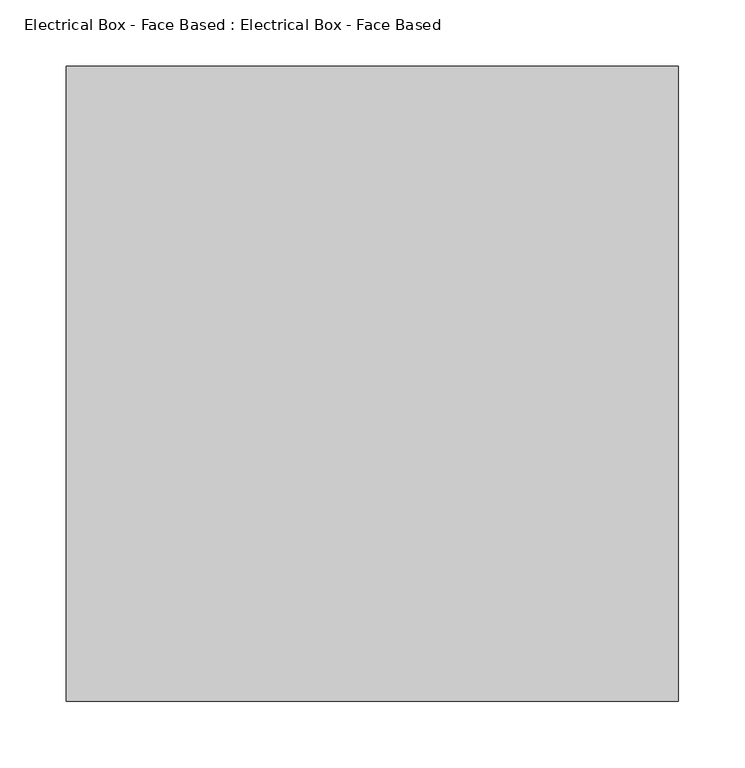
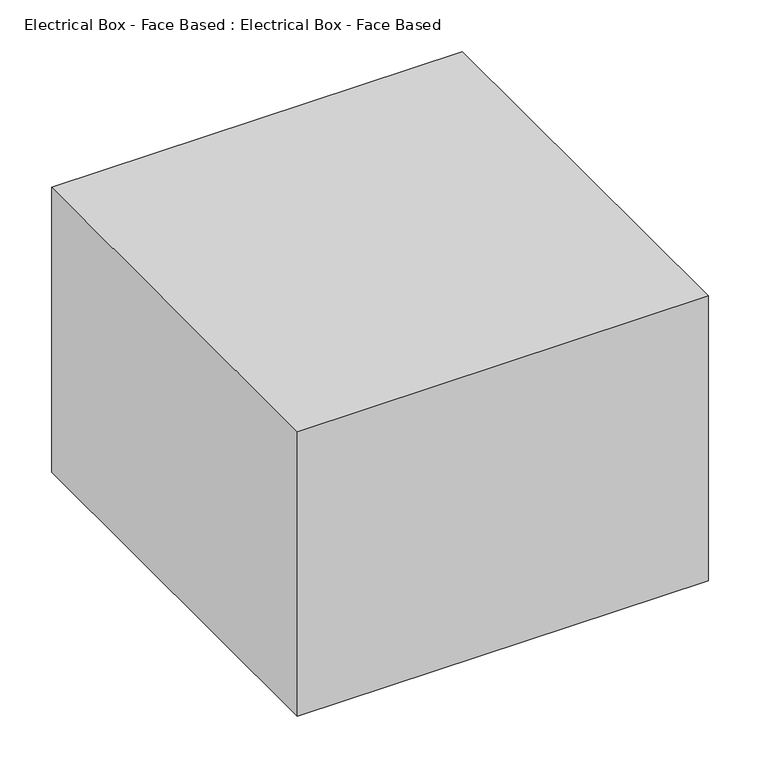
"""IFC4 building model written with IfcOpenShell, lengths in millimetres: proxy geometry, Electrical Box - Face Based : Electrical Box - Face Based."""

from ifc_helpers import new_model, si_unit, origin, origin_with_axes, place, context, project, spatial, polyline, outline, extrude, source, transform, mapped, element, save


def electrical_box_face_based_electrical_box_face_based_921e0528(model_context):
    return source(origin(), model_context, "Body", "SweptSolid", [
        extrude(outline(polyline([(230.1223586, 238.7516477), (230.1223586, -238.7516477), (-230.1223586, -238.7516477), (-230.1223586, 238.7516477), (230.1223586, 238.7516477)])), origin_with_axes(), (0.0, 0.0, 1.0), 337.3926242),
    ])


if __name__ == "__main__":
    model = new_model("IFC4")
    model_context = context("Model", 3, world=origin())
    ifc_project = project(units=[si_unit("LENGTHUNIT", "METRE", prefix="MILLI")], contexts=[model_context])
    site = spatial("IfcSite", under=ifc_project)
    building = spatial("IfcBuilding", under=site)
    placement = place(None, origin())
    electrical_box_face_based_electrical_box_face_based_shape = electrical_box_face_based_electrical_box_face_based_921e0528(model_context)
    element("IfcBuildingElementProxy", 1, Name="Electrical Box - Face Based : Electrical Box - Face Based", ObjectType="Electrical Box - Face Based : Electrical Box - Face Based", at=placement, inside=building, context=model_context, shape_type="MappedRepresentation", body=[
        mapped(electrical_box_face_based_electrical_box_face_based_shape, transform((0.0, 0.0, 0.0), x_axis=(1.0, 0.0, 0.0), y_axis=(0.0, 1.0, 0.0), z_axis=(0.0, 0.0, 1.0))),
    ])
    save(model, "model.ifc")
